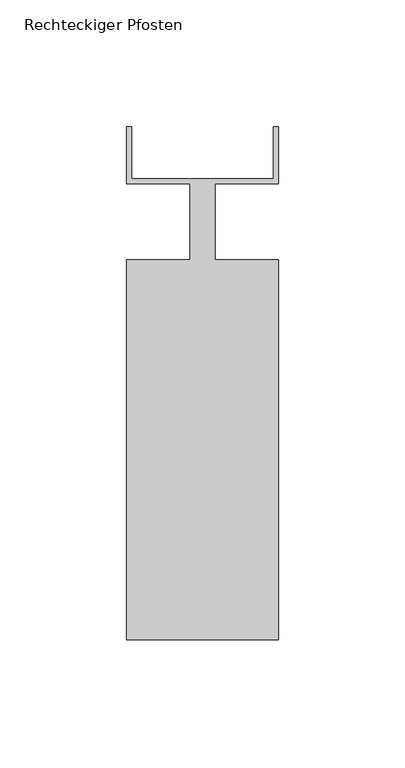
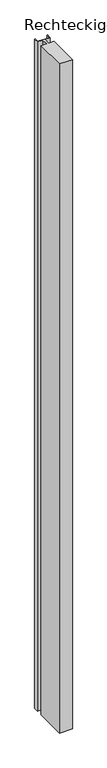
"""IFC4 building model written with IfcOpenShell, lengths in millimetres: member geometry, Rechteckiger Pfosten."""

from ifc_helpers import new_model, si_unit, frame, origin, place, context, project, spatial, polyline, outline, extrude, source, transform, mapped, element, save


def rechteckiger_pfosten_9ccff379(model_context):
    return source(origin(), model_context, "Body", "SweptSolid", [
        extrude(outline(polyline([(-58.0, 37.5), (-58.0, 17.0), (-2.0, 17.0), (-2.0, 37.5), (0.0, 37.5), (0.0, 15.0), (-25.0, 15.0), (-25.0, -15.0), (0.0, -15.0), (0.0, -165.0), (-60.0, -165.0), (-60.0, -15.0), (-35.0, -15.0), (-35.0, 15.0), (-60.0, 15.0), (-60.0, 37.5), (-58.0, 37.5)])), frame((0.0, 0.0, -3330.0), z_axis=(0.0, 0.0, 1.0), x_axis=(1.0, 0.0, 0.0)), (0.0, 0.0, 1.0), 3330.0),
    ])


if __name__ == "__main__":
    model = new_model("IFC4")
    model_context = context("Model", 3, world=origin())
    ifc_project = project(units=[si_unit("LENGTHUNIT", "METRE", prefix="MILLI")], contexts=[model_context])
    site = spatial("IfcSite", under=ifc_project)
    building = spatial("IfcBuilding", under=site)
    placement = place(None, origin())
    rechteckiger_pfosten_shape = rechteckiger_pfosten_9ccff379(model_context)
    element("IfcMember", 1, ObjectType="Rechteckiger Pfosten", at=placement, inside=building, context=model_context, shape_type="MappedRepresentation", body=[
        mapped(rechteckiger_pfosten_shape, transform((0.0, 0.0, 0.0), x_axis=(1.0, 0.0, 0.0), y_axis=(0.0, 1.0, 0.0), z_axis=(0.0, 0.0, 1.0))),
    ])
    save(model, "model.ifc")
